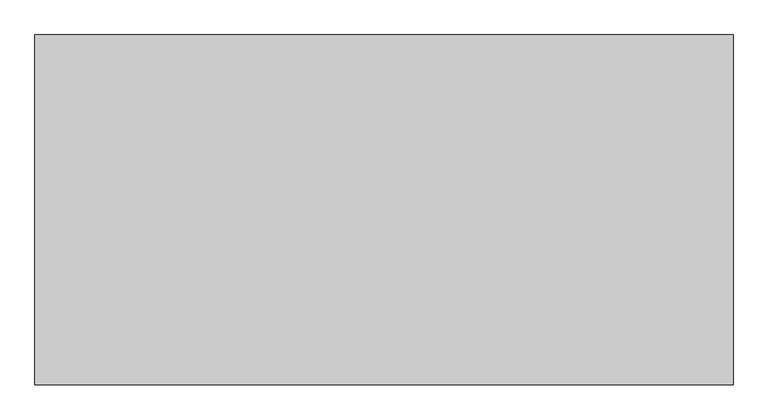
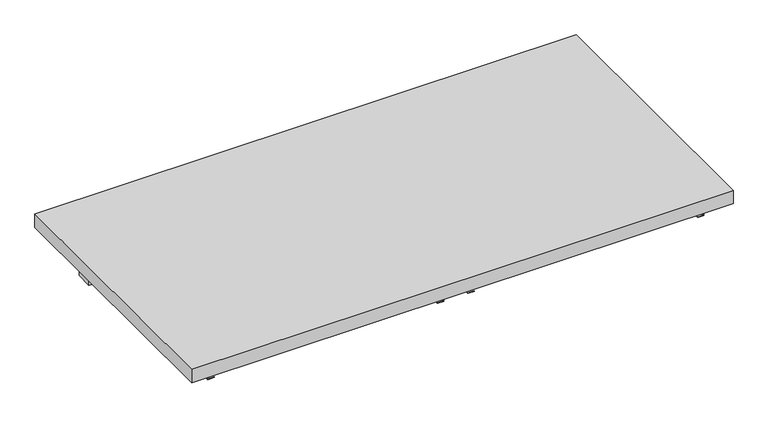
"""IFC4 building model written with IfcOpenShell, lengths in millimetres: furniture geometry."""

from ifc_helpers import new_model, si_unit, frame, origin, place, context, project, spatial, polyline, outline, extrude, source, transform, mapped, element, save


def furniture_db3b0754(model_context):
    return source(origin(), model_context, "Body", "SweptSolid", [
        extrude(outline(polyline([(912.8125, 177.8), (912.8125, -431.8), (-303.2125, -431.8), (-303.2125, 177.8), (912.8125, 177.8)])), frame((0.0, 0.0, 486.95102), z_axis=(0.0, 0.0, 1.0), x_axis=(1.0, 0.0, 0.0)), (0.0, 0.0, 1.0), 31.75),
        extrude(outline(polyline([(879.475, 63.5), (879.475, 25.4), (-269.875, 25.4), (-269.875, 63.5), (879.475, 63.5)])), frame((0.0, 0.0, 429.80102), z_axis=(0.0, 0.0, 1.0), x_axis=(1.0, 0.0, 0.0)), (0.0, 0.0, 1.0), 57.15),
        extrude(outline(polyline([(463.13852, 333.375), (486.95102, 333.375), (486.95102, 331.7875), (461.55102, 331.7875), (461.55102, 346.075), (463.13852, 346.075), (463.13852, 333.375)])), frame((0.0, -406.4, 0.0), z_axis=(0.0, 1.0, 0.0), x_axis=(0.0, 0.0, 1.0)), (0.0, 0.0, 1.0), 390.525),
        extrude(outline(polyline([(463.13852, 276.225), (463.13852, 263.525), (461.55102, 263.525), (461.55102, 277.8125), (486.95102, 277.8125), (486.95102, 276.225), (463.13852, 276.225)])), frame((0.0, -406.4, 0.0), z_axis=(0.0, 1.0, 0.0), x_axis=(0.0, 0.0, 1.0)), (0.0, 0.0, 1.0), 390.525),
        extrude(outline(polyline([(463.13852, -250.825), (486.95102, -250.825), (486.95102, -252.4125), (461.55102, -252.4125), (461.55102, -238.125), (463.13852, -238.125), (463.13852, -250.825)])), frame((0.0, -406.4, 0.0), z_axis=(0.0, 1.0, 0.0), x_axis=(0.0, 0.0, 1.0)), (0.0, 0.0, 1.0), 390.525),
        extrude(outline(polyline([(463.13852, 860.425), (463.13852, 847.725), (461.55102, 847.725), (461.55102, 862.0125), (486.95102, 862.0125), (486.95102, 860.425), (463.13852, 860.425)])), frame((0.0, -406.4, 0.0), z_axis=(0.0, 1.0, 0.0), x_axis=(0.0, 0.0, 1.0)), (0.0, 0.0, 1.0), 390.525),
    ])


if __name__ == "__main__":
    model = new_model("IFC4")
    model_context = context("Model", 3, world=origin())
    ifc_project = project(units=[si_unit("LENGTHUNIT", "METRE", prefix="MILLI")], contexts=[model_context])
    site = spatial("IfcSite", under=ifc_project)
    building = spatial("IfcBuilding", under=site)
    placement = place(None, origin())
    furniture_shape = furniture_db3b0754(model_context)
    element("IfcFurniture", 1, at=placement, inside=building, context=model_context, shape_type="MappedRepresentation", body=[
        mapped(furniture_shape, transform((0.0, 0.0, 0.0), x_axis=(1.0, 0.0, 0.0), y_axis=(0.0, 1.0, 0.0), z_axis=(0.0, 0.0, 1.0))),
    ])
    save(model, "model.ifc")
